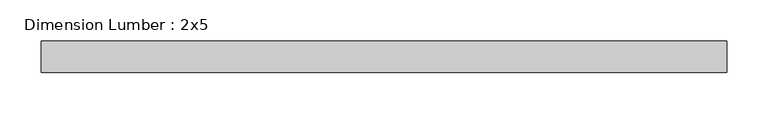
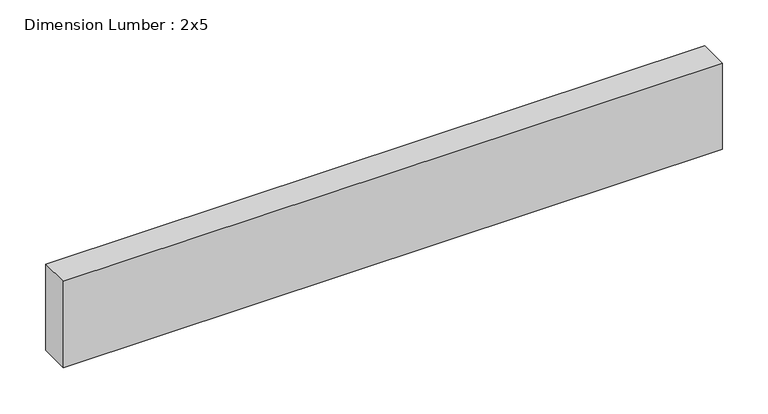
"""IFC4 building model written with IfcOpenShell, lengths in millimetres: beam geometry, Dimension Lumber : 2x5."""

from ifc_helpers import new_model, si_unit, frame, origin, place, context, project, spatial, polyline, outline, extrude, source, transform, mapped, element, save


def dimension_lumber_2x5_9973845d(model_context):
    return source(origin(), model_context, "Body", "SweptSolid", [
        extrude(outline(polyline([(413.5164475, 19.05), (413.5164475, -19.05), (-413.5164475, -19.05), (-413.5164475, 19.05), (413.5164475, 19.05)])), frame((0.0, 0.0, -57.15), z_axis=(0.0, 0.0, 1.0), x_axis=(1.0, 0.0, 0.0)), (0.0, 0.0, 1.0), 114.3),
    ])


if __name__ == "__main__":
    model = new_model("IFC4")
    model_context = context("Model", 3, world=origin())
    ifc_project = project(units=[si_unit("LENGTHUNIT", "METRE", prefix="MILLI")], contexts=[model_context])
    site = spatial("IfcSite", under=ifc_project)
    building = spatial("IfcBuilding", under=site)
    placement = place(None, origin())
    dimension_lumber_2x5_shape = dimension_lumber_2x5_9973845d(model_context)
    element("IfcBeam", 1, ObjectType="Dimension Lumber : 2x5", at=placement, inside=building, context=model_context, shape_type="MappedRepresentation", body=[
        mapped(dimension_lumber_2x5_shape, transform((0.0, 0.0, 0.0), x_axis=(1.0, 0.0, 0.0), y_axis=(0.0, 1.0, 0.0), z_axis=(0.0, 0.0, 1.0))),
    ])
    save(model, "model.ifc")
